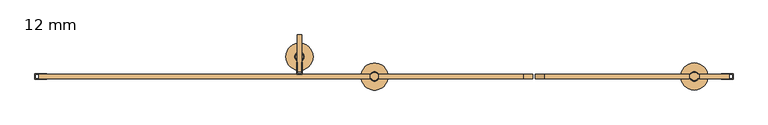
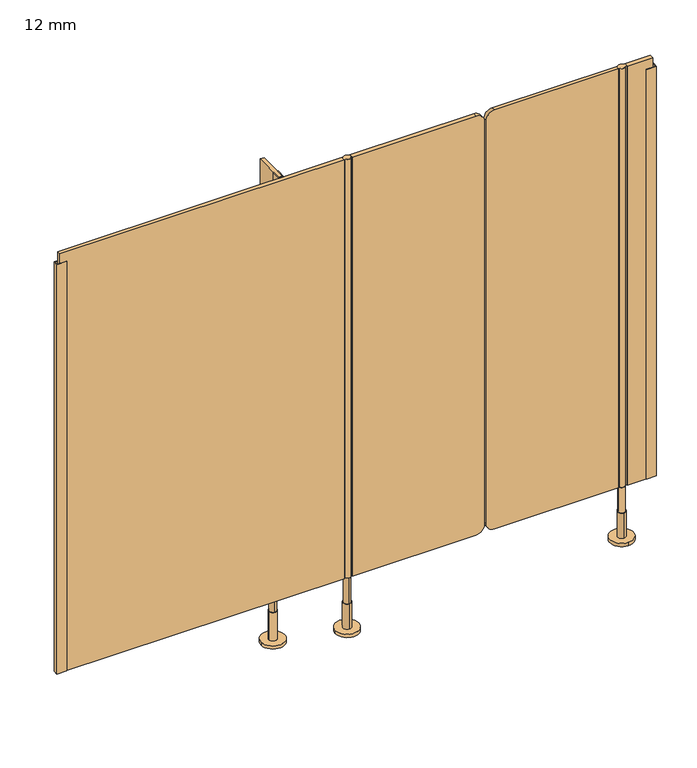
"""IFC4 building model written with IfcOpenShell, lengths in millimetres: door geometry, 12 mm."""

from ifc_helpers import new_model, si_unit, point, frame, frame_2d, origin, place, context, project, spatial, polyline, circle_curve, trimmed, segment, composite_curve, outline, extrude, source, transform, mapped, element, save
from ifc_brep_helpers import plane_surface, cylinder_surface, advanced_brep


def door_12_mm_12842603(model_context):
    return source(origin(), model_context, "Body", "SolidModel", [
        advanced_brep(
        [(810.0, -1296.0, 170.0), (790.0, -1296.0, 170.0), (790.0, -1296.0, 90.0), (810.0, -1296.0, 90.0), (800.0, -1284.0, 90.0), (800.0, -1308.0, 90.0), (800.0, -1284.0, 10.0), (800.0, -1308.0, 10.0), (800.0, -1261.0, 10.0), (800.0, -1331.0, 10.0), (800.0, -1261.0, 0.0), (800.0, -1331.0, 0.0)],
        [
            (0, 1, circle_curve(frame((800.0, -1296.0, 170.0), z_axis=(0.0, 0.0, 1.0), x_axis=(-1.0, 0.0, 0.0)), 10.0)),
            (1, 0, circle_curve(frame((800.0, -1296.0, 170.0), z_axis=(0.0, 0.0, 1.0), x_axis=(-1.0, 0.0, 0.0)), 10.0)),
            (1, 2),
            (2, 3, circle_curve(frame((800.0, -1296.0, 90.0), z_axis=(0.0, 0.0, 1.0), x_axis=(-1.0, 0.0, 0.0)), 10.0)),
            (3, 0),
            (3, 2, circle_curve(frame((800.0, -1296.0, 90.0), z_axis=(0.0, 0.0, 1.0), x_axis=(-1.0, 0.0, 0.0)), 10.0)),
            (4, 5, circle_curve(frame((800.0, -1296.0, 90.0), z_axis=(0.0, 0.0, 1.0), x_axis=(0.0, -1.0, 0.0)), 12.0)),
            (5, 4, circle_curve(frame((800.0, -1296.0, 90.0), z_axis=(0.0, 0.0, 1.0), x_axis=(0.0, -1.0, 0.0)), 12.0)),
            (4, 6),
            (6, 7, circle_curve(frame((800.0, -1296.0, 10.0), z_axis=(0.0, 0.0, 1.0), x_axis=(0.0, -1.0, 0.0)), 12.0)),
            (7, 5),
            (7, 6, circle_curve(frame((800.0, -1296.0, 10.0), z_axis=(0.0, 0.0, 1.0), x_axis=(0.0, -1.0, 0.0)), 12.0)),
            (8, 9, circle_curve(frame((800.0, -1296.0, 10.0), z_axis=(0.0, 0.0, 1.0), x_axis=(0.0, -1.0, 0.0)), 35.0)),
            (9, 8, circle_curve(frame((800.0, -1296.0, 10.0), z_axis=(0.0, 0.0, 1.0), x_axis=(0.0, -1.0, 0.0)), 35.0)),
            (10, 11, circle_curve(frame((800.0, -1296.0, 0.0), z_axis=(0.0, 0.0, -1.0), x_axis=(0.0, -1.0, 0.0)), 35.0)),
            (11, 10, circle_curve(frame((800.0, -1296.0, 0.0), z_axis=(0.0, 0.0, -1.0), x_axis=(0.0, -1.0, 0.0)), 35.0)),
            (8, 10),
            (11, 9),
        ],
        [
            plane_surface(frame((800.0, -1290.0, 170.0), z_axis=(0.0, 0.0, 1.0), x_axis=(0.0, -1.0, 0.0))),
            cylinder_surface(frame((800.0, -1296.0, 90.0), z_axis=(0.0, 0.0, -1.0), x_axis=(-1.0, 0.0, 0.0)), 10.0),
            plane_surface(frame((800.0, -1290.0, 90.0), z_axis=(0.0, 0.0, 1.0), x_axis=(0.0, -1.0, 0.0))),
            cylinder_surface(frame((800.0, -1296.0, 90.0), z_axis=(0.0, 0.0, 1.0), x_axis=(0.0, -1.0, 0.0)), 12.0),
            plane_surface(frame((800.0, -1290.0, 10.0), z_axis=(0.0, 0.0, 1.0), x_axis=(0.0, -1.0, 0.0))),
            plane_surface(frame((800.0, -1290.0, 0.0), z_axis=(0.0, 0.0, -1.0), x_axis=(0.0, -1.0, 0.0))),
            cylinder_surface(frame((800.0, -1296.0, 10.0), z_axis=(0.0, 0.0, 1.0), x_axis=(0.0, -1.0, 0.0)), 35.0),
        ],
        [
            (0, [[1, 2]]),
            (1, [[-2, 3, 4, 5]]),
            (1, [[-1, -5, 6, -3]]),
            (2, [[7, 8], [-4, -6]]),
            (3, [[-7, 9, 10, 11]]),
            (3, [[-8, -11, 12, -9]]),
            (4, [[13, 14], [-10, -12]]),
            (5, [[15, 16]]),
            (6, [[-13, 17, -16, 18]]),
            (6, [[-14, -18, -15, -17]]),
        ],
    ),
        advanced_brep(
        [(-24.5, -1306.0, 170.0), (-24.5, -1286.0, 170.0), (-24.5, -1286.0, 90.0), (-24.5, -1306.0, 90.0), (-24.5, -1284.0, 90.0), (-24.5, -1308.0, 90.0), (-24.5, -1284.0, 10.0), (-24.5, -1308.0, 10.0), (10.5, -1296.0, 0.0), (-59.5, -1296.0, 0.0), (10.5, -1296.0, 10.0), (-59.5, -1296.0, 10.0)],
        [
            (0, 1, circle_curve(frame((-24.5, -1296.0, 170.0), z_axis=(0.0, 0.0, -1.0), x_axis=(0.0, -1.0, 0.0)), 10.0)),
            (1, 2),
            (2, 3, circle_curve(frame((-24.5, -1296.0, 90.0), z_axis=(0.0, 0.0, 1.0), x_axis=(0.0, -1.0, 0.0)), 10.0)),
            (3, 0),
            (1, 0, circle_curve(frame((-24.5, -1296.0, 170.0), z_axis=(0.0, 0.0, -1.0), x_axis=(0.0, -1.0, 0.0)), 10.0)),
            (3, 2, circle_curve(frame((-24.5, -1296.0, 90.0), z_axis=(0.0, 0.0, 1.0), x_axis=(0.0, -1.0, 0.0)), 10.0)),
            (4, 5, circle_curve(frame((-24.5, -1296.0, 90.0), z_axis=(0.0, 0.0, 1.0), x_axis=(0.0, -1.0, 0.0)), 12.0)),
            (5, 4, circle_curve(frame((-24.5, -1296.0, 90.0), z_axis=(0.0, 0.0, 1.0), x_axis=(0.0, -1.0, 0.0)), 12.0)),
            (4, 6),
            (6, 7, circle_curve(frame((-24.5, -1296.0, 10.0), z_axis=(0.0, 0.0, 1.0), x_axis=(0.0, -1.0, 0.0)), 12.0)),
            (7, 5),
            (7, 6, circle_curve(frame((-24.5, -1296.0, 10.0), z_axis=(0.0, 0.0, 1.0), x_axis=(0.0, -1.0, 0.0)), 12.0)),
            (8, 9, circle_curve(frame((-24.5, -1296.0, 0.0), z_axis=(0.0, 0.0, -1.0), x_axis=(-1.0, 0.0, 0.0)), 35.0)),
            (9, 8, circle_curve(frame((-24.5, -1296.0, 0.0), z_axis=(0.0, 0.0, -1.0), x_axis=(-1.0, 0.0, 0.0)), 35.0)),
            (10, 11, circle_curve(frame((-24.5, -1296.0, 10.0), z_axis=(0.0, 0.0, 1.0), x_axis=(-1.0, 0.0, 0.0)), 35.0)),
            (11, 10, circle_curve(frame((-24.5, -1296.0, 10.0), z_axis=(0.0, 0.0, 1.0), x_axis=(-1.0, 0.0, 0.0)), 35.0)),
            (8, 10),
            (11, 9),
        ],
        [
            cylinder_surface(frame((-24.5, -1296.0, 170.0), z_axis=(0.0, 0.0, 1.0), x_axis=(0.0, -1.0, 0.0)), 10.0),
            plane_surface(frame((-24.5, -1290.0, 90.0), z_axis=(0.0, 0.0, 1.0), x_axis=(0.0, -1.0, 0.0))),
            cylinder_surface(frame((-24.5, -1296.0, 90.0), z_axis=(0.0, 0.0, 1.0), x_axis=(0.0, -1.0, 0.0)), 12.0),
            plane_surface(frame((-24.5, -1290.0, 0.0), z_axis=(0.0, 0.0, -1.0), x_axis=(0.0, -1.0, 0.0))),
            plane_surface(frame((-24.5, -1290.0, 10.0), z_axis=(0.0, 0.0, 1.0), x_axis=(0.0, -1.0, 0.0))),
            cylinder_surface(frame((-24.5, -1296.0, 0.0), z_axis=(0.0, 0.0, -1.0), x_axis=(-1.0, 0.0, 0.0)), 35.0),
            plane_surface(frame((-24.5, -1290.0, 170.0), z_axis=(0.0, 0.0, 1.0), x_axis=(0.0, -1.0, 0.0))),
        ],
        [
            (0, [[1, 2, 3, 4]]),
            (0, [[5, -4, 6, -2]]),
            (1, [[7, 8], [-3, -6]]),
            (2, [[-7, 9, 10, 11]]),
            (2, [[-8, -11, 12, -9]]),
            (3, [[13, 14]]),
            (4, [[15, 16], [-10, -12]]),
            (5, [[-13, 17, -16, 18]]),
            (5, [[-14, -18, -15, -17]]),
            (6, [[-1, -5]]),
        ],
    ),
        extrude(outline(composite_curve([segment(polyline([(170.0, 787.0), (1500.0, 787.0), (1500.0, 415.0002203)]), True, "CONTINUOUS"), segment(trimmed(circle_curve(frame_2d((1475.0, 415.0002203)), 25.0), [point((1500.0, 415.0002203))], [point((1475.0, 390.0002203))], False, "CARTESIAN"), True, "CONTINUOUS"), segment(polyline([(1475.0, 390.0002203), (195.0, 390.0002203)]), True, "CONTINUOUS"), segment(trimmed(circle_curve(frame_2d((195.0, 415.0002203)), 25.0), [point((195.0, 390.0002203))], [point((170.0, 415.0002203))], False, "CARTESIAN"), True, "CONTINUOUS"), segment(polyline([(170.0, 415.0002203), (170.0, 787.0)]), True, "CONTINUOUS")], self_intersect=False)), frame((0.0, -1302.0, 0.0), z_axis=(0.0, 1.0, 0.0), x_axis=(0.0, 0.0, 1.0)), (0.0, 0.0, 1.0), 12.0),
        extrude(outline(composite_curve([segment(polyline([(1500.0, -13.0), (170.0, -13.0), (170.0, 358.9997797)]), True, "CONTINUOUS"), segment(trimmed(circle_curve(frame_2d((195.0, 358.9997797)), 25.0), [point((170.0, 358.9997797))], [point((195.0, 383.9997797))], False, "CARTESIAN"), True, "CONTINUOUS"), segment(polyline([(195.0, 383.9997797), (1475.0, 383.9997797)]), True, "CONTINUOUS"), segment(trimmed(circle_curve(frame_2d((1475.0, 358.9997797)), 25.0), [point((1475.0, 383.9997797))], [point((1500.0, 358.9997797))], False, "CARTESIAN"), True, "CONTINUOUS"), segment(polyline([(1500.0, 358.9997797), (1500.0, -13.0)]), True, "CONTINUOUS")], self_intersect=False)), frame((0.0, -1302.0, 0.0), z_axis=(0.0, 1.0, 0.0), x_axis=(0.0, 0.0, 1.0)), (0.0, 0.0, 1.0), 12.0),
        extrude(outline(composite_curve([segment(trimmed(circle_curve(frame_2d((-24.5, -1296.0)), 10.0), [point((-32.5, -1290.0))], [point((-16.5, -1290.0))], False, "CARTESIAN"), True, "CONTINUOUS"), segment(trimmed(circle_curve(frame_2d((-24.5, -1296.0)), 10.0), [point((-16.5, -1290.0))], [point((-15.8391323, -1291.0010631))], False, "CARTESIAN"), True, "CONTINUOUS"), segment(polyline([(-15.8391323, -1291.0010631), (-13.0, -1291.0010631), (-13.0, -1300.9989369), (-15.8391323, -1300.9989369)]), True, "CONTINUOUS"), segment(trimmed(circle_curve(frame_2d((-24.5, -1296.0)), 10.0), [point((-15.8391323, -1300.9989369))], [point((-33.1608677, -1300.9989369))], False, "CARTESIAN"), True, "CONTINUOUS"), segment(polyline([(-33.1608677, -1300.9989369), (-36.0, -1300.9989369), (-36.0, -1291.0010631), (-33.1608677, -1291.0010631)]), True, "CONTINUOUS"), segment(trimmed(circle_curve(frame_2d((-24.5, -1296.0)), 10.0), [point((-33.1608677, -1291.0010631))], [point((-32.5, -1290.0))], False, "CARTESIAN"), True, "CONTINUOUS")], self_intersect=False)), frame((0.0, 0.0, 170.0), z_axis=(0.0, 0.0, 1.0), x_axis=(1.0, 0.0, 0.0)), (0.0, 0.0, 1.0), 1330.0),
        extrude(outline(composite_curve([segment(trimmed(circle_curve(frame_2d((800.0, -1296.0)), 10.0), [point((808.6608677, -1300.9989369))], [point((791.3391323, -1300.9989369))], False, "CARTESIAN"), True, "CONTINUOUS"), segment(polyline([(791.3391323, -1300.9989369), (787.0, -1300.9989369), (787.0, -1291.0010631), (791.3391323, -1291.0010631)]), True, "CONTINUOUS"), segment(trimmed(circle_curve(frame_2d((800.0, -1296.0)), 10.0), [point((791.3391323, -1291.0010631))], [point((808.6608677, -1291.0010631))], False, "CARTESIAN"), True, "CONTINUOUS"), segment(polyline([(808.6608677, -1291.0010631), (813.0, -1291.0010631), (813.0, -1300.9989369), (808.6608677, -1300.9989369)]), True, "CONTINUOUS")], self_intersect=False)), frame((0.0, 0.0, 170.0), z_axis=(0.0, 0.0, 1.0), x_axis=(1.0, 0.0, 0.0)), (0.0, 0.0, 1.0), 1330.0),
        extrude(outline(polyline([(-210.5, -1290.0), (-225.5, -1290.0), (-225.5, -1260.0), (-224.0, -1260.0), (-224.0, -1288.5), (-212.0, -1288.5), (-212.0, -1260.0), (-210.5, -1260.0), (-210.5, -1290.0)])), frame((0.0, 0.0, 170.0), z_axis=(0.0, 0.0, 1.0), x_axis=(1.0, 0.0, 0.0)), (0.0, 0.0, 1.0), 1330.0),
        extrude(outline(polyline([(-224.0, -1284.0), (-224.0, -1189.0), (-212.0, -1189.0), (-212.0, -1284.0), (-224.0, -1284.0)])), frame((0.0, 0.0, 170.0), z_axis=(0.0, 0.0, 1.0), x_axis=(1.0, 0.0, 0.0)), (0.0, 0.0, 1.0), 1330.0),
        extrude(outline(polyline([(900.0, -1303.5), (870.0, -1303.5), (870.0, -1302.0), (898.5, -1302.0), (898.5, -1290.0), (870.0, -1290.0), (870.0, -1288.5), (900.0, -1288.5), (900.0, -1303.5)])), frame((0.0, 0.0, 170.0), z_axis=(0.0, 0.0, 1.0), x_axis=(1.0, 0.0, 0.0)), (0.0, 0.0, 1.0), 1300.0),
        extrude(outline(polyline([(-900.0, -1288.5), (-870.0, -1288.5), (-870.0, -1290.0), (-898.5, -1290.0), (-898.5, -1302.0), (-870.0, -1302.0), (-870.0, -1303.5), (-900.0, -1303.5), (-900.0, -1288.5)])), frame((0.0, 0.0, 170.0), z_axis=(0.0, 0.0, 1.0), x_axis=(1.0, 0.0, 0.0)), (0.0, 0.0, 1.0), 1300.0),
        extrude(outline(polyline([(813.0, -1290.0), (890.0, -1290.0), (890.0, -1302.0), (813.0, -1302.0), (813.0, -1290.0)])), frame((0.0, 0.0, 170.0), z_axis=(0.0, 0.0, 1.0), x_axis=(1.0, 0.0, 0.0)), (0.0, 0.0, 1.0), 1330.0),
        extrude(outline(polyline([(-36.0, -1290.0), (-36.0, -1302.0), (-890.0, -1302.0), (-890.0, -1290.0), (-36.0, -1290.0)])), frame((0.0, 0.0, 170.0), z_axis=(0.0, 0.0, 1.0), x_axis=(1.0, 0.0, 0.0)), (0.0, 0.0, 1.0), 1330.0),
        advanced_brep(
        [(-230.0, -1245.0, 100.0), (-206.0, -1245.0, 100.0), (-218.0, -1235.0, 100.0), (-218.0, -1255.0, 100.0), (-206.0, -1245.0, 10.0), (-230.0, -1245.0, 10.0), (-218.0, -1255.0, 170.0), (-218.0, -1235.0, 170.0), (-253.0, -1245.0, 0.0), (-183.0, -1245.0, 0.0), (-253.0, -1245.0, 10.0), (-183.0, -1245.0, 10.0)],
        [
            (0, 1, circle_curve(frame((-218.0, -1245.0, 100.0), z_axis=(0.0, 0.0, 1.0), x_axis=(1.0, 0.0, 0.0)), 12.0)),
            (1, 0, circle_curve(frame((-218.0, -1245.0, 100.0), z_axis=(0.0, 0.0, 1.0), x_axis=(1.0, 0.0, 0.0)), 12.0)),
            (2, 3, circle_curve(frame((-218.0, -1245.0, 100.0), z_axis=(0.0, 0.0, -1.0), x_axis=(0.0, 1.0, 0.0)), 10.0)),
            (3, 2, circle_curve(frame((-218.0, -1245.0, 100.0), z_axis=(0.0, 0.0, -1.0), x_axis=(0.0, 1.0, 0.0)), 10.0)),
            (1, 4),
            (4, 5, circle_curve(frame((-218.0, -1245.0, 10.0), z_axis=(0.0, 0.0, 1.0), x_axis=(1.0, 0.0, 0.0)), 12.0)),
            (5, 0),
            (5, 4, circle_curve(frame((-218.0, -1245.0, 10.0), z_axis=(0.0, 0.0, 1.0), x_axis=(1.0, 0.0, 0.0)), 12.0)),
            (6, 7, circle_curve(frame((-218.0, -1245.0, 170.0), z_axis=(0.0, 0.0, 1.0), x_axis=(0.0, 1.0, 0.0)), 10.0)),
            (7, 6, circle_curve(frame((-218.0, -1245.0, 170.0), z_axis=(0.0, 0.0, 1.0), x_axis=(0.0, 1.0, 0.0)), 10.0)),
            (6, 3),
            (2, 7),
            (8, 9, circle_curve(frame((-218.0, -1245.0, 0.0), z_axis=(0.0, 0.0, -1.0), x_axis=(1.0, 0.0, 0.0)), 35.0)),
            (9, 8, circle_curve(frame((-218.0, -1245.0, 0.0), z_axis=(0.0, 0.0, -1.0), x_axis=(1.0, 0.0, 0.0)), 35.0)),
            (10, 11, circle_curve(frame((-218.0, -1245.0, 10.0), z_axis=(0.0, 0.0, 1.0), x_axis=(1.0, 0.0, 0.0)), 35.0)),
            (11, 10, circle_curve(frame((-218.0, -1245.0, 10.0), z_axis=(0.0, 0.0, 1.0), x_axis=(1.0, 0.0, 0.0)), 35.0)),
            (8, 10),
            (11, 9),
        ],
        [
            plane_surface(frame((-218.0, -1296.0, 100.0), z_axis=(0.0, 0.0, 1.0), x_axis=(0.0, 1.0, 0.0))),
            cylinder_surface(frame((-218.0, -1245.0, 10.0), z_axis=(0.0, 0.0, -1.0), x_axis=(1.0, 0.0, 0.0)), 12.0),
            plane_surface(frame((-218.0, -1296.0, 170.0), z_axis=(0.0, 0.0, 1.0), x_axis=(0.0, 1.0, 0.0))),
            cylinder_surface(frame((-218.0, -1245.0, 170.0), z_axis=(0.0, 0.0, 1.0), x_axis=(0.0, 1.0, 0.0)), 10.0),
            plane_surface(frame((-218.0, -1296.0, 0.0), z_axis=(0.0, 0.0, -1.0), x_axis=(0.0, 1.0, 0.0))),
            plane_surface(frame((-218.0, -1296.0, 10.0), z_axis=(0.0, 0.0, 1.0), x_axis=(0.0, 1.0, 0.0))),
            cylinder_surface(frame((-218.0, -1245.0, 0.0), z_axis=(0.0, 0.0, -1.0), x_axis=(1.0, 0.0, 0.0)), 35.0),
        ],
        [
            (0, [[1, 2], [3, 4]]),
            (1, [[-2, 5, 6, 7]]),
            (1, [[-1, -7, 8, -5]]),
            (2, [[9, 10]]),
            (3, [[-9, 11, -3, 12]]),
            (3, [[-10, -12, -4, -11]]),
            (4, [[13, 14]]),
            (5, [[15, 16], [-6, -8]]),
            (6, [[-13, 17, -16, 18]]),
            (6, [[-14, -18, -15, -17]]),
        ],
    ),
    ])


if __name__ == "__main__":
    model = new_model("IFC4")
    model_context = context("Model", 3, world=origin())
    ifc_project = project(units=[si_unit("LENGTHUNIT", "METRE", prefix="MILLI")], contexts=[model_context])
    site = spatial("IfcSite", under=ifc_project)
    building = spatial("IfcBuilding", under=site)
    placement = place(None, origin())
    door_12_mm_shape = door_12_mm_12842603(model_context)
    element("IfcDoor", 1, ObjectType="12 mm", at=placement, inside=building, context=model_context, shape_type="MappedRepresentation", body=[
        mapped(door_12_mm_shape, transform((0.0, 0.0, 0.0), x_axis=(1.0, 0.0, 0.0), y_axis=(0.0, 1.0, 0.0), z_axis=(0.0, 0.0, 1.0))),
    ])
    save(model, "model.ifc")
